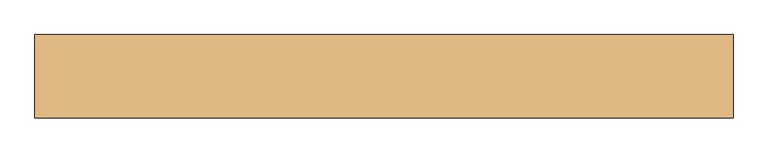
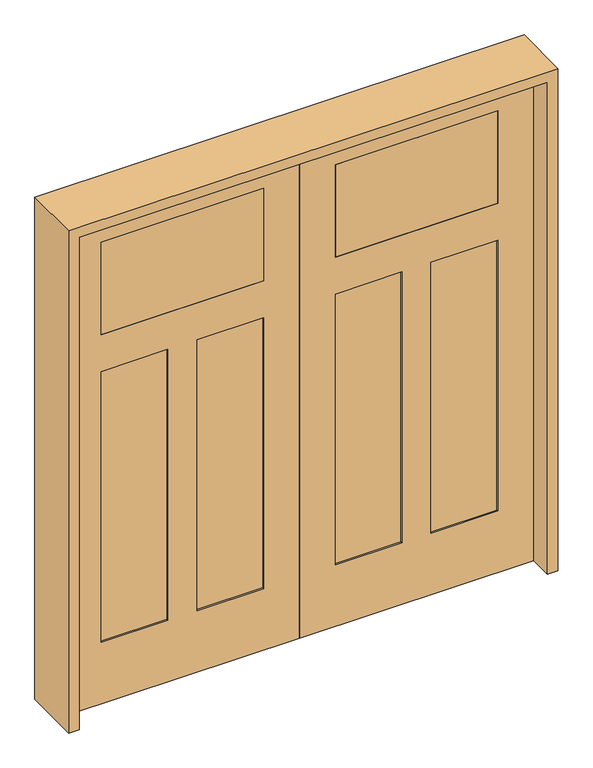
"""IFC4 building model written with IfcOpenShell, lengths in millimetres: door geometry."""

import ifcopenshell
import ifcopenshell.guid

model = None  # the IFC model being written
_history = None  # IfcOwnerHistory: only IFC2X3 demands one
_inside = {}  # id of a spatial element -> (the spatial element, [elements in it])
_under = {}  # id of a project, library or spatial element -> (it, [spatial elements below it])
_declared = {}  # id of a project -> (the project, [libraries it declares])
_typed = {}  # id of a type object -> (the type object, [elements of that type])
_made_of = {}  # id of a material, layer set ... -> (it, [elements and type objects made of it])


def new_model(schema):
    """Start an empty IFC model of exactly this schema.

    Asked for "IFC4X3", IfcOpenShell would pick the latest addendum, in which some entities
    have other attributes; the version numbers below select the first issue.
    IFC2X3 requires an IfcOwnerHistory on every rooted entity: one is made here for all.
    """
    global model, _history
    if schema == "IFC4X3":
        model = ifcopenshell.file(schema_version=(4, 3, 0, 0))
    else:
        model = ifcopenshell.file(schema=schema)
    _inside.clear()
    _under.clear()
    _declared.clear()
    _typed.clear()
    _made_of.clear()
    _history = None
    if model.schema == "IFC2X3":
        org = make("IfcOrganization", Name="unknown")
        user = make(
            "IfcPersonAndOrganization",
            ThePerson=make("IfcPerson", FamilyName="unknown"),
            TheOrganization=org,
        )
        app = make(
            "IfcApplication",
            ApplicationDeveloper=org,
            Version="unknown",
            ApplicationFullName="unknown",
            ApplicationIdentifier="unknown",
        )
        _history = make(
            "IfcOwnerHistory",
            OwningUser=user,
            OwningApplication=app,
            ChangeAction="ADDED",
            CreationDate=0,
        )
    return model


def make(cls, **values):
    """One entity of the class cls with the attributes given. An attribute that is None is left unset."""
    return model.create_entity(
        cls, **{name: value for name, value in values.items() if value is not None}
    )


def rooted(cls, **values):
    """An entity with a GlobalId (a new one), such as an element, a storey or a relation."""
    return make(cls, GlobalId=ifcopenshell.guid.new(), OwnerHistory=_history, **values)


def si_unit(unit_type, name, prefix=None):
    """IfcSIUnit, for example si_unit("LENGTHUNIT", "METRE", prefix="MILLI")."""
    return make("IfcSIUnit", UnitType=unit_type, Prefix=prefix, Name=name)


def assignment(units):
    """IfcUnitAssignment: the units of a project."""
    return None if units is None else make("IfcUnitAssignment", Units=units)


def point(xyz):
    """IfcCartesianPoint."""
    return None if xyz is None else make("IfcCartesianPoint", Coordinates=xyz)


def direction(xyz):
    """IfcDirection."""
    return None if xyz is None else make("IfcDirection", DirectionRatios=xyz)


def frame(location, z_axis=None, x_axis=None):
    """IfcAxis2Placement3D, a coordinate frame: its origin and axes. An axis left out is left unset."""
    return make(
        "IfcAxis2Placement3D",
        Location=point(location),
        Axis=direction(z_axis),
        RefDirection=direction(x_axis),
    )


def origin():
    """The frame at (0, 0, 0) with its axes left unset."""
    return frame((0.0, 0.0, 0.0))


def place(relative_to, where):
    """IfcLocalPlacement: puts the frame where relative to a parent placement (None: the world)."""
    return make(
        "IfcLocalPlacement", PlacementRelTo=relative_to, RelativePlacement=where
    )


def context(
    kind, dimensions, precision=None, world=None, true_north=None, identifier=None
):
    """IfcGeometricRepresentationContext, for example the 3D "Model" context."""
    return make(
        "IfcGeometricRepresentationContext",
        ContextIdentifier=identifier,
        ContextType=kind,
        CoordinateSpaceDimension=dimensions,
        Precision=precision,
        WorldCoordinateSystem=world,
        TrueNorth=true_north,
    )


def project(units=None, contexts=None):
    """IfcProject with its units and contexts."""
    return rooted(
        "IfcProject",
        Name="project",
        RepresentationContexts=contexts,
        UnitsInContext=assignment(units),
    )


def spatial(cls, under=None, at=None, **own):
    """A site, building, storey or space (cls), placed at a placement, below another one or the project."""
    s = rooted(cls, ObjectPlacement=at, **own)
    if under is not None:
        _under.setdefault(under.id(), (under, []))[1].append(s)
    return s


def polyline(points):
    """IfcPolyline through the points."""
    return make("IfcPolyline", Points=[point(p) for p in points])


def outline(outer, holes=None, kind="AREA"):
    """IfcArbitraryClosedProfileDef: a profile drawn as a closed curve; with holes, ...WithVoids."""
    if holes is None:
        return make("IfcArbitraryClosedProfileDef", ProfileType=kind, OuterCurve=outer)
    return make(
        "IfcArbitraryProfileDefWithVoids",
        ProfileType=kind,
        OuterCurve=outer,
        InnerCurves=holes,
    )


def extrude(swept, where, along, depth):
    """IfcExtrudedAreaSolid: the profile swept, set in the frame where, extruded along a direction by depth."""
    return make(
        "IfcExtrudedAreaSolid",
        SweptArea=swept,
        Position=where,
        ExtrudedDirection=direction(along),
        Depth=depth,
    )


def faces_of(points, faces, orient=None, outer=None):
    """IfcFace entities. A face is a list of loops; a loop is a list of indices into points, from 0.

    orient and outer hold one flag for each loop. By default every Orientation is true, the
    first loop of a face is its IfcFaceOuterBound and the others are IfcFaceBound.
    """
    made = []
    for i, loops in enumerate(faces):
        bounds = []
        for j, loop in enumerate(loops):
            is_outer = j == 0 if outer is None else outer[i][j]
            bounds.append(
                make(
                    "IfcFaceOuterBound" if is_outer else "IfcFaceBound",
                    Bound=make("IfcPolyLoop", Polygon=[points[k] for k in loop]),
                    Orientation=True if orient is None else orient[i][j],
                )
            )
        made.append(make("IfcFace", Bounds=bounds))
    return made


def faceted_brep(points, faces, orient=None, outer=None, voids=None):
    """IfcFacetedBrep: a solid bounded by flat faces; with voids (closed shells), ...WithVoids."""
    shared = [point(p) for p in points]
    hull = make("IfcClosedShell", CfsFaces=faces_of(shared, faces, orient, outer))
    if voids is None:
        return make("IfcFacetedBrep", Outer=hull)
    return make(
        "IfcFacetedBrepWithVoids",
        Outer=hull,
        Voids=[
            make(cls, CfsFaces=faces_of(shared, fs, o, b)) for cls, fs, o, b in voids
        ],
    )


def shape(context_of_items, identifier, shape_type, items):
    """IfcShapeRepresentation: the items that make up one representation, for example the "Body"."""
    return make(
        "IfcShapeRepresentation",
        ContextOfItems=context_of_items,
        RepresentationIdentifier=identifier,
        RepresentationType=shape_type,
        Items=items,
    )


def source(mapping_origin, context_of_items, identifier, shape_type, items):
    """IfcRepresentationMap: a shape defined once, which mapped items show again and again."""
    return make(
        "IfcRepresentationMap",
        MappingOrigin=mapping_origin,
        MappedRepresentation=shape(context_of_items, identifier, shape_type, items),
    )


def transform(
    local_origin,
    x_axis=None,
    y_axis=None,
    z_axis=None,
    scale=None,
    scale2=None,
    scale3=None,
    uniform=True,
):
    """IfcCartesianTransformationOperator3D, or its non-uniform kind. x_axis, y_axis, z_axis: its Axis1, 2, 3."""
    if uniform:
        return make(
            "IfcCartesianTransformationOperator3D",
            Axis1=direction(x_axis),
            Axis2=direction(y_axis),
            LocalOrigin=point(local_origin),
            Scale=scale,
            Axis3=direction(z_axis),
        )
    return make(
        "IfcCartesianTransformationOperator3DnonUniform",
        Axis1=direction(x_axis),
        Axis2=direction(y_axis),
        LocalOrigin=point(local_origin),
        Scale=scale,
        Axis3=direction(z_axis),
        Scale2=scale2,
        Scale3=scale3,
    )


def mapped(mapping_source, mapping_target):
    """IfcMappedItem: shows the shape of a source again, moved by a transform."""
    return make(
        "IfcMappedItem", MappingSource=mapping_source, MappingTarget=mapping_target
    )


def made_of(thing, what):
    """Note that an element or type object is made of a material, layer set ...; save() writes the relation."""
    if what is not None:
        _made_of.setdefault(what.id(), (what, []))[1].append(thing)
    return thing


def element(
    cls,
    number,
    at=None,
    inside=None,
    cuts=None,
    type_object=None,
    material=None,
    context=None,
    identifier="Body",
    shape_type=None,
    held_by="IfcProductDefinitionShape",
    body=None,
    shapes=None,
    **own,
):
    """One element of the class cls, such as IfcWall. Its Tag is "e" and its number.

    at: its placement. inside: the storey or other place that contains it. cuts: it is an
    opening in that element (IfcRelVoidsElement). A single representation is given by context,
    identifier, shape_type and body (its items); several are given by shapes. held_by: the class
    of the entity that holds the representations. save() writes the other relations.
    """
    e = rooted(cls, Tag="e%d" % number, ObjectPlacement=at, **own)
    if body is not None:
        shapes = [shape(context, identifier, shape_type, body)]
    if shapes is not None:
        e.Representation = make(held_by, Representations=shapes)
    if inside is not None:
        _inside.setdefault(inside.id(), (inside, []))[1].append(e)
    if cuts is not None:
        rooted(
            "IfcRelVoidsElement", RelatingBuildingElement=cuts, RelatedOpeningElement=e
        )
    if type_object is not None:
        _typed.setdefault(type_object.id(), (type_object, []))[1].append(e)
    return made_of(e, material)


def aggregate(whole, parts):
    """IfcRelAggregates: a whole, such as a stair, and the parts it consists of."""
    return rooted("IfcRelAggregates", RelatingObject=whole, RelatedObjects=parts)


def save(model, path):
    """Write the relations noted so far, then the file.

    IfcRelAggregates (storeys below a building ...), IfcRelContainedInSpatialStructure (elements
    in a storey), IfcRelDefinesByType, IfcRelAssociatesMaterial and IfcRelDeclares: one each for
    every whole, place, type object, material and project.
    """
    for whole, parts in _under.values():
        aggregate(whole, parts)
    for where, things in _inside.values():
        rooted(
            "IfcRelContainedInSpatialStructure",
            RelatedElements=things,
            RelatingStructure=where,
        )
    for kind, things in _typed.values():
        rooted("IfcRelDefinesByType", RelatedObjects=things, RelatingType=kind)
    for what, things in _made_of.values():
        rooted("IfcRelAssociatesMaterial", RelatedObjects=things, RelatingMaterial=what)
    for by, libraries in _declared.values():
        rooted("IfcRelDeclares", RelatingContext=by, RelatedDefinitions=libraries)
    model.write(path)


def door_796fd641(model_context):
    return source(origin(), model_context, "Body", "SolidModel", [
        faceted_brep([(0.0, 20.6375, 0.0), (914.4, 20.6375, 0.0), (914.4, -20.6375, 0.0), (0.0, -20.6375, 0.0), (0.0, 20.6375, 2032.0), (0.0, -20.6375, 2032.0), (914.4, -20.6375, 2032.0), (774.7, -20.6375, 1905.0), (774.7, -20.6375, 1524.0), (139.7, -20.6375, 1524.0), (139.7, -20.6375, 1905.0), (774.7, -20.6375, 1371.6), (774.7, -20.6375, 254.0), (514.35, -20.6375, 254.0), (514.35, -20.6375, 1371.6), (400.05, -20.6375, 1371.6), (400.05, -20.6375, 254.0), (139.7, -20.6375, 254.0), (139.7, -20.6375, 1371.6), (914.4, 20.6375, 2032.0), (514.35, 20.6375, 1371.6), (514.35, 20.6375, 254.0), (774.7, 20.6375, 254.0), (774.7, 20.6375, 1371.6), (139.7, 20.6375, 1371.6), (139.7, 20.6375, 254.0), (400.05, 20.6375, 254.0), (400.05, 20.6375, 1371.6), (139.7, 20.6375, 1905.0), (139.7, 20.6375, 1524.0), (774.7, 20.6375, 1524.0), (774.7, 20.6375, 1905.0), (774.7, 14.2875, 1371.6), (774.7, 14.2875, 254.0), (514.35, 14.2875, 254.0), (514.35, 14.2875, 1371.6), (400.05, 14.2875, 1371.6), (400.05, 14.2875, 254.0), (139.7, 14.2875, 254.0), (139.7, 14.2875, 1371.6), (514.35, -14.2875, 1371.6), (514.35, -14.2875, 254.0), (774.7, -14.2875, 254.0), (774.7, -14.2875, 1371.6), (139.7, -14.2875, 1371.6), (139.7, -14.2875, 254.0), (400.05, -14.2875, 254.0), (400.05, -14.2875, 1371.6)], [[[0, 1, 2, 3]], [[4, 0, 3, 5]], [[5, 3, 2, 6], [7, 8, 9, 10], [11, 12, 13, 14], [15, 16, 17, 18]], [[6, 2, 1, 19]], [[19, 1, 0, 4], [20, 21, 22, 23], [24, 25, 26, 27], [28, 29, 30, 31]], [[4, 5, 6, 19]], [[32, 23, 22, 33]], [[33, 22, 21, 34]], [[34, 21, 20, 35]], [[36, 27, 26, 37]], [[37, 26, 25, 38]], [[38, 25, 24, 39]], [[40, 14, 13, 41]], [[41, 13, 12, 42]], [[42, 12, 11, 43]], [[44, 18, 17, 45]], [[45, 17, 16, 46]], [[46, 16, 15, 47]], [[40, 41, 42, 43]], [[44, 45, 46, 47]], [[35, 32, 33, 34]], [[39, 36, 37, 38]], [[7, 10, 28, 31]], [[31, 30, 8, 7]], [[30, 29, 9, 8]], [[10, 9, 29, 28]], [[43, 11, 14, 40]], [[47, 15, 18, 44]], [[35, 20, 23, 32]], [[39, 24, 27, 36]]]),
        extrude(outline(polyline([(139.7, -20.6375), (139.7, 20.6375), (774.7, 20.6375), (774.7, -20.6375), (139.7, -20.6375)])), frame((0.0, 0.0, 1524.0), z_axis=(0.0, 0.0, 1.0), x_axis=(1.0, 0.0, 0.0)), (0.0, 0.0, 1.0), 381.0),
        faceted_brep([(0.0, 20.6375, 0.0), (0.0, -20.6375, 0.0), (-914.4, -20.6375, 0.0), (-914.4, 20.6375, 0.0), (0.0, 20.6375, 2032.0), (0.0, -20.6375, 2032.0), (-914.4, -20.6375, 2032.0), (-774.7, -20.6375, 1905.0), (-139.7, -20.6375, 1905.0), (-139.7, -20.6375, 1524.0), (-774.7, -20.6375, 1524.0), (-774.7, -20.6375, 1371.6), (-514.35, -20.6375, 1371.6), (-514.35, -20.6375, 254.0), (-774.7, -20.6375, 254.0), (-400.05, -20.6375, 1371.6), (-139.7, -20.6375, 1371.6), (-139.7, -20.6375, 254.0), (-400.05, -20.6375, 254.0), (-914.4, 20.6375, 2032.0), (-514.35, 20.6375, 1371.6), (-774.7, 20.6375, 1371.6), (-774.7, 20.6375, 254.0), (-514.35, 20.6375, 254.0), (-139.7, 20.6375, 1371.6), (-400.05, 20.6375, 1371.6), (-400.05, 20.6375, 254.0), (-139.7, 20.6375, 254.0), (-139.7, 20.6375, 1905.0), (-774.7, 20.6375, 1905.0), (-774.7, 20.6375, 1524.0), (-139.7, 20.6375, 1524.0), (-774.7, 14.2875, 1371.6), (-774.7, 14.2875, 254.0), (-514.35, 14.2875, 254.0), (-514.35, 14.2875, 1371.6), (-400.05, 14.2875, 1371.6), (-400.05, 14.2875, 254.0), (-139.7, 14.2875, 254.0), (-139.7, 14.2875, 1371.6), (-514.35, -14.2875, 1371.6), (-514.35, -14.2875, 254.0), (-774.7, -14.2875, 254.0), (-774.7, -14.2875, 1371.6), (-139.7, -14.2875, 1371.6), (-139.7, -14.2875, 254.0), (-400.05, -14.2875, 254.0), (-400.05, -14.2875, 1371.6)], [[[0, 1, 2, 3]], [[4, 5, 1, 0]], [[5, 6, 2, 1], [7, 8, 9, 10], [11, 12, 13, 14], [15, 16, 17, 18]], [[6, 19, 3, 2]], [[19, 4, 0, 3], [20, 21, 22, 23], [24, 25, 26, 27], [28, 29, 30, 31]], [[4, 19, 6, 5]], [[32, 33, 22, 21]], [[33, 34, 23, 22]], [[34, 35, 20, 23]], [[36, 37, 26, 25]], [[37, 38, 27, 26]], [[38, 39, 24, 27]], [[40, 41, 13, 12]], [[41, 42, 14, 13]], [[42, 43, 11, 14]], [[44, 45, 17, 16]], [[45, 46, 18, 17]], [[46, 47, 15, 18]], [[40, 43, 42, 41]], [[44, 47, 46, 45]], [[35, 34, 33, 32]], [[39, 38, 37, 36]], [[7, 29, 28, 8]], [[29, 7, 10, 30]], [[30, 10, 9, 31]], [[8, 28, 31, 9]], [[43, 40, 12, 11]], [[47, 44, 16, 15]], [[35, 32, 21, 20]], [[39, 36, 25, 24]]]),
        extrude(outline(polyline([(-139.7, -20.6375), (-774.7, -20.6375), (-774.7, 20.6375), (-139.7, 20.6375), (-139.7, -20.6375)])), frame((0.0, 0.0, 1524.0), z_axis=(0.0, 0.0, 1.0), x_axis=(1.0, 0.0, 0.0)), (0.0, 0.0, 1.0), 381.0),
        extrude(outline(polyline([(2073.275, -955.675), (0.0, -955.675), (0.0, -914.4), (2032.0, -914.4), (2032.0, 914.4), (0.0, 914.4), (0.0, 955.675), (2073.275, 955.675), (2073.275, -955.675)])), frame((0.0, -114.3, 0.0), z_axis=(0.0, 1.0, 0.0), x_axis=(0.0, 0.0, 1.0)), (0.0, 0.0, 1.0), 228.6),
    ])


if __name__ == "__main__":
    model = new_model("IFC4")
    model_context = context("Model", 3, world=origin())
    ifc_project = project(units=[si_unit("LENGTHUNIT", "METRE", prefix="MILLI")], contexts=[model_context])
    site = spatial("IfcSite", under=ifc_project)
    building = spatial("IfcBuilding", under=site)
    placement = place(None, origin())
    door_shape = door_796fd641(model_context)
    element("IfcDoor", 1, at=placement, inside=building, context=model_context, shape_type="MappedRepresentation", body=[
        mapped(door_shape, transform((0.0, 0.0, 0.0), x_axis=(1.0, 0.0, 0.0), y_axis=(0.0, 1.0, 0.0), z_axis=(0.0, 0.0, 1.0))),
    ])
    save(model, "model.ifc")
